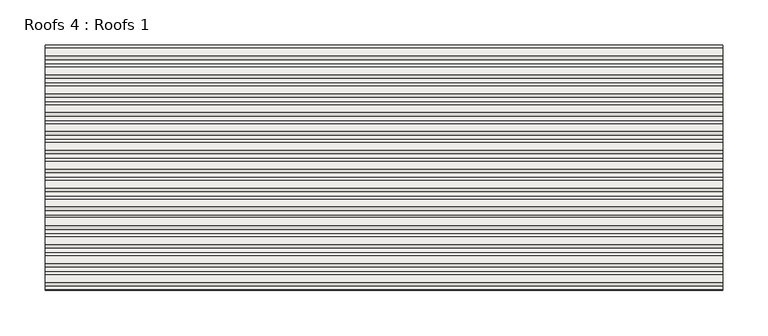
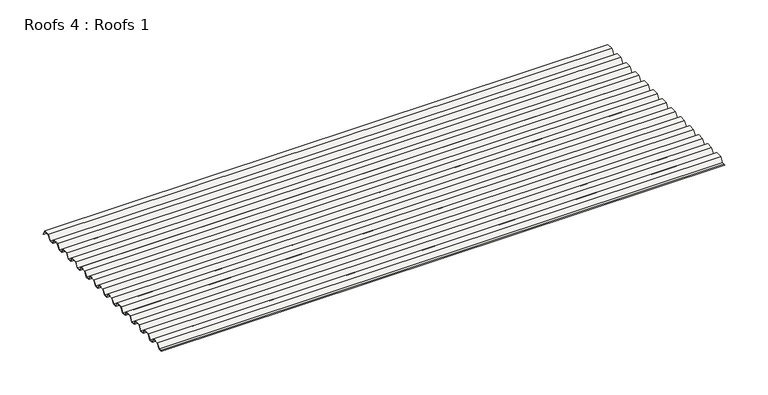
"""IFC4 building model written with IfcOpenShell, lengths in millimetres: roof geometry, Roofs 4 : Roofs 1."""

from ifc_helpers import new_model, si_unit, frame, origin, place, context, project, spatial, polyline, outline, extrude, source, transform, mapped, element, save


def roofs_4_roofs_1_5bb5ec3f(model_context):
    return source(origin(), model_context, "Body", "SweptSolid", [
        extrude(outline(polyline([(-9498.8136811, 125.4967546), (-9504.1340331, 125.4967546), (-9502.6524582, 125.8936296), (-9499.0291486, 125.8936296), (-9494.907277, 132.239777), (-9486.2475422, 132.239777), (-9483.0145815, 125.8936296), (-9478.1529215, 125.8936296), (-9474.03105, 132.239777), (-9465.3713152, 132.239777), (-9462.1383544, 125.8936296), (-9457.2766945, 125.8936296), (-9453.1548229, 132.239777), (-9444.4950881, 132.239777), (-9441.2621273, 125.8936296), (-9436.4004674, 125.8936296), (-9432.2785958, 132.239777), (-9423.618861, 132.239777), (-9420.3859003, 125.8936296), (-9415.5242403, 125.8936296), (-9411.4023688, 132.239777), (-9402.742634, 132.239777), (-9399.5096732, 125.8936296), (-9394.6480132, 125.8936296), (-9390.5261417, 132.239777), (-9381.8664069, 132.239777), (-9378.6334461, 125.8936296), (-9373.7717862, 125.8936296), (-9369.6499146, 132.239777), (-9360.9901798, 132.239777), (-9357.7572191, 125.8936296), (-9352.8955591, 125.8936296), (-9348.7736876, 132.239777), (-9340.1139528, 132.239777), (-9336.880992, 125.8936296), (-9332.019332, 125.8936296), (-9327.8974605, 132.239777), (-9319.2377257, 132.239777), (-9316.0047649, 125.8936296), (-9311.143105, 125.8936296), (-9307.0212334, 132.239777), (-9298.3614986, 132.239777), (-9295.1285378, 125.8936296), (-9290.2668779, 125.8936296), (-9286.1450063, 132.239777), (-9277.4852716, 132.239777), (-9274.2523108, 125.8936296), (-9269.3906508, 125.8936296), (-9265.2687793, 132.239777), (-9256.6090445, 132.239777), (-9253.3760837, 125.8936296), (-9248.5144238, 125.8936296), (-9244.3925522, 132.239777), (-9235.7328174, 132.239777), (-9232.7757887, 126.4352711), (-9232.7430812, 125.4967546), (-9235.9760419, 131.842902), (-9244.1770848, 131.842902), (-9248.2989563, 125.4967546), (-9253.6193082, 125.4967546), (-9256.852269, 131.842902), (-9265.0533118, 131.842902), (-9269.1751834, 125.4967546), (-9274.4955353, 125.4967546), (-9277.7284961, 131.842902), (-9285.9295389, 131.842902), (-9290.0514104, 125.4967546), (-9295.3717624, 125.4967546), (-9298.6047232, 131.842902), (-9306.805766, 131.842902), (-9310.9276375, 125.4967546), (-9316.2479894, 125.4967546), (-9319.4809502, 131.842902), (-9327.681993, 131.842902), (-9331.8038646, 125.4967546), (-9337.1242165, 125.4967546), (-9340.3571773, 131.842902), (-9348.5582201, 131.842902), (-9352.6800917, 125.4967546), (-9358.0004436, 125.4967546), (-9361.2334044, 131.842902), (-9369.4344472, 131.842902), (-9373.5563187, 125.4967546), (-9378.8766707, 125.4967546), (-9382.1096314, 131.842902), (-9390.3106742, 131.842902), (-9394.4325458, 125.4967546), (-9399.7528977, 125.4967546), (-9402.9858585, 131.842902), (-9411.1869013, 131.842902), (-9415.3087729, 125.4967546), (-9420.6291248, 125.4967546), (-9423.8620856, 131.842902), (-9432.0631284, 131.842902), (-9436.1849999, 125.4967546), (-9441.5053519, 125.4967546), (-9444.7383126, 131.842902), (-9452.9393554, 131.842902), (-9457.061227, 125.4967546), (-9462.3815789, 125.4967546), (-9465.6145397, 131.842902), (-9473.8155825, 131.842902), (-9477.9374541, 125.4967546), (-9483.257806, 125.4967546), (-9486.4907668, 131.842902), (-9494.6918096, 131.842902), (-9498.8136811, 125.4967546)])), frame((-2537.9542149, 0.0, 0.0), z_axis=(1.0, 0.0, 0.0), x_axis=(0.0, 1.0, 0.0)), (0.0, 0.0, 1.0), 748.6255515),
    ])


if __name__ == "__main__":
    model = new_model("IFC4")
    model_context = context("Model", 3, world=origin())
    ifc_project = project(units=[si_unit("LENGTHUNIT", "METRE", prefix="MILLI")], contexts=[model_context])
    site = spatial("IfcSite", under=ifc_project)
    building = spatial("IfcBuilding", under=site)
    placement = place(None, origin())
    roofs_4_roofs_1_shape = roofs_4_roofs_1_5bb5ec3f(model_context)
    element("IfcRoof", 1, ObjectType="Roofs 4 : Roofs 1", at=placement, inside=building, context=model_context, shape_type="MappedRepresentation", body=[
        mapped(roofs_4_roofs_1_shape, transform((0.0, 0.0, 0.0), x_axis=(1.0, 0.0, 0.0), y_axis=(0.0, 1.0, 0.0), z_axis=(0.0, 0.0, 1.0))),
    ])
    save(model, "model.ifc")
